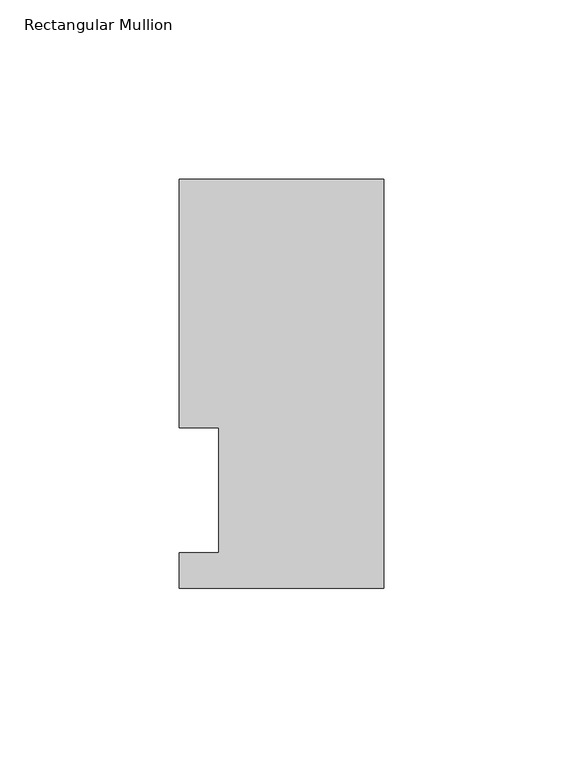
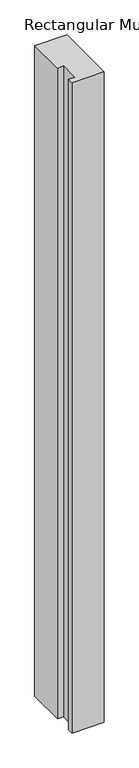
"""IFC4 building model written with IfcOpenShell, lengths in millimetres: member geometry, Rectangular Mullion."""

from ifc_helpers import new_model, si_unit, frame, origin, place, context, project, spatial, polyline, outline, extrude, source, transform, mapped, element, save


def rectangular_mullion_de500c22(model_context):
    return source(origin(), model_context, "Body", "SweptSolid", [
        extrude(outline(polyline([(0.0, 114.271425), (0.0, -0.028575), (-57.15, -0.028575), (-57.15, 9.877425), (-46.0375, 9.877425), (-46.0375, 44.802425), (-57.15, 44.802425), (-57.15, 114.271425), (0.0, 114.271425)])), frame((0.0, 0.0, -1219.2), z_axis=(0.0, 0.0, 1.0), x_axis=(1.0, 0.0, 0.0)), (0.0, 0.0, 1.0), 1219.2),
    ])


if __name__ == "__main__":
    model = new_model("IFC4")
    model_context = context("Model", 3, world=origin())
    ifc_project = project(units=[si_unit("LENGTHUNIT", "METRE", prefix="MILLI")], contexts=[model_context])
    site = spatial("IfcSite", under=ifc_project)
    building = spatial("IfcBuilding", under=site)
    placement = place(None, origin())
    rectangular_mullion_shape = rectangular_mullion_de500c22(model_context)
    element("IfcMember", 1, ObjectType="Rectangular Mullion", at=placement, inside=building, context=model_context, shape_type="MappedRepresentation", body=[
        mapped(rectangular_mullion_shape, transform((0.0, 0.0, 0.0), x_axis=(1.0, 0.0, 0.0), y_axis=(0.0, 1.0, 0.0), z_axis=(0.0, 0.0, 1.0))),
    ])
    save(model, "model.ifc")
